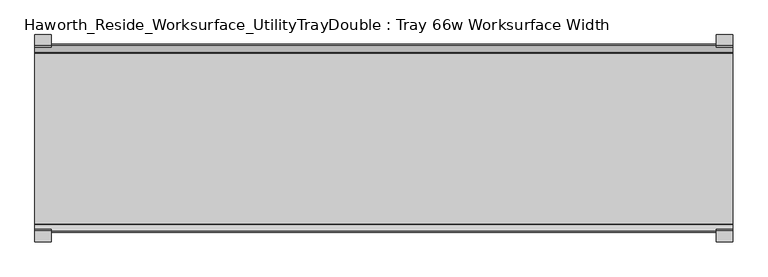
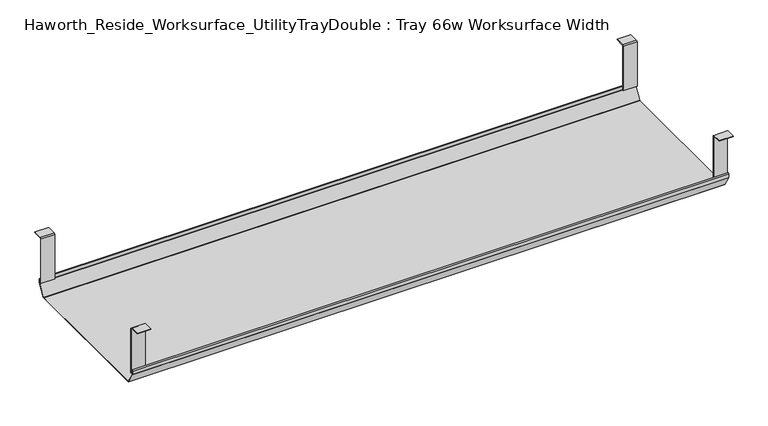
"""IFC4 building model written with IfcOpenShell, lengths in millimetres: furniture geometry, Haworth_Reside_Worksurface_UtilityTrayDouble : Tray 66w Worksurface Width."""

from ifc_helpers import new_model, si_unit, frame, origin, place, context, project, spatial, polyline, outline, extrude, source, transform, mapped, element, save


def haworth_reside_worksurface_utilitytraydouble_tray_66w_45c3c641(model_context):
    return source(origin(), model_context, "Body", "SweptSolid", [
        extrude(outline(polyline([(-721.2228768, 731.8375), (-718.8278791, 729.4425023), (-718.8278791, 621.6649855), (-720.2248778, 621.6649855), (-720.2248778, 729.0734626), (-721.7824239, 730.6310087), (-743.0086797, 730.6310087), (-743.0086797, 731.8375), (-721.2228768, 731.8375)])), frame((869.8991976, 0.0, 0.0), z_axis=(1.0, 0.0, 0.0), x_axis=(0.0, 1.0, 0.0)), (0.0, 0.0, 1.0), 31.8008024),
        extrude(outline(polyline([(-357.7340763, 731.8375), (-335.9482734, 731.8375), (-335.9482734, 730.6310087), (-357.1745292, 730.6310087), (-358.7320753, 729.0734626), (-358.7320753, 621.6649855), (-360.129074, 621.6649855), (-360.129074, 729.4425023), (-357.7340763, 731.8375)])), frame((869.8991976, 0.0, 0.0), z_axis=(1.0, 0.0, 0.0), x_axis=(0.0, 1.0, 0.0)), (0.0, 0.0, 1.0), 31.8008024),
        extrude(outline(polyline([(-721.2228768, 731.8375), (-718.8278791, 729.4425023), (-718.8278791, 621.6649855), (-720.2248778, 621.6649855), (-720.2248778, 729.0734626), (-721.7824239, 730.6310087), (-743.0086797, 730.6310087), (-743.0086797, 731.8375), (-721.2228768, 731.8375)])), frame((-469.9, 0.0, 0.0), z_axis=(1.0, 0.0, 0.0), x_axis=(0.0, 1.0, 0.0)), (0.0, 0.0, 1.0), 31.8008024),
        extrude(outline(polyline([(-357.7340763, 731.8375), (-335.9482734, 731.8375), (-335.9482734, 730.6310087), (-357.1745292, 730.6310087), (-358.7320753, 729.0734626), (-358.7320753, 621.6649855), (-360.129074, 621.6649855), (-360.129074, 729.4425023), (-357.7340763, 731.8375)])), frame((-469.9, 0.0, 0.0), z_axis=(1.0, 0.0, 0.0), x_axis=(0.0, 1.0, 0.0)), (0.0, 0.0, 1.0), 31.8008024),
        extrude(outline(polyline([(-725.025475, 629.0309966), (-722.993477, 631.0629947), (-722.432211, 630.5017287), (-724.231725, 628.7022146), (-724.231725, 620.8042827), (-724.0067745, 619.9647622), (-708.9140802, 593.8234395), (-707.4787101, 592.9947272), (-371.478243, 592.9947272), (-370.0428729, 593.8234395), (-354.9501786, 619.9647622), (-354.7252281, 620.8042827), (-354.7252281, 628.7022146), (-356.5247421, 630.5017287), (-355.9634761, 631.0629947), (-353.9314781, 629.0309966), (-353.9314781, 620.6997828), (-354.2105217, 619.6583856), (-369.5353957, 593.1149156), (-371.1183815, 592.2009772), (-707.691395, 592.2009772), (-709.4951457, 593.2423744), (-724.7464314, 619.6583856), (-725.025475, 620.6997828), (-725.025475, 629.0309966)])), frame((-469.9, 0.0, 0.0), z_axis=(1.0, 0.0, 0.0), x_axis=(0.0, 1.0, 0.0)), (0.0, 0.0, 1.0), 1371.6),
    ])


if __name__ == "__main__":
    model = new_model("IFC4")
    model_context = context("Model", 3, world=origin())
    ifc_project = project(units=[si_unit("LENGTHUNIT", "METRE", prefix="MILLI")], contexts=[model_context])
    site = spatial("IfcSite", under=ifc_project)
    building = spatial("IfcBuilding", under=site)
    placement = place(None, origin())
    haworth_reside_worksurface_utilitytraydouble_tray_66w_shape = haworth_reside_worksurface_utilitytraydouble_tray_66w_45c3c641(model_context)
    element("IfcFurniture", 1, ObjectType="Haworth_Reside_Worksurface_UtilityTrayDouble : Tray 66w Worksurface Width", at=placement, inside=building, context=model_context, shape_type="MappedRepresentation", body=[
        mapped(haworth_reside_worksurface_utilitytraydouble_tray_66w_shape, transform((0.0, 0.0, 0.0), x_axis=(1.0, 0.0, 0.0), y_axis=(0.0, 1.0, 0.0), z_axis=(0.0, 0.0, 1.0))),
    ])
    save(model, "model.ifc")
